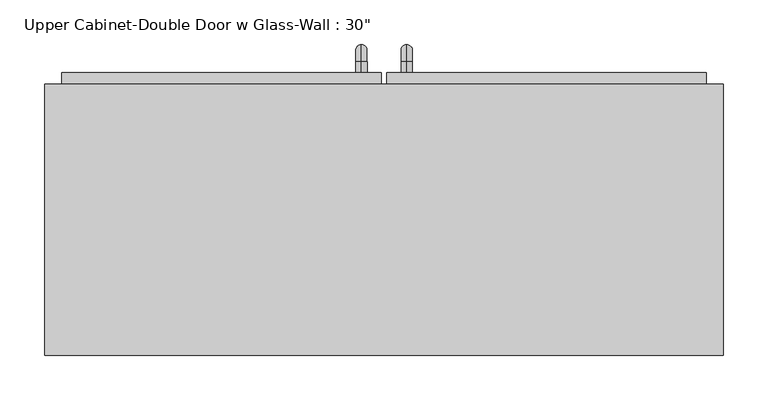
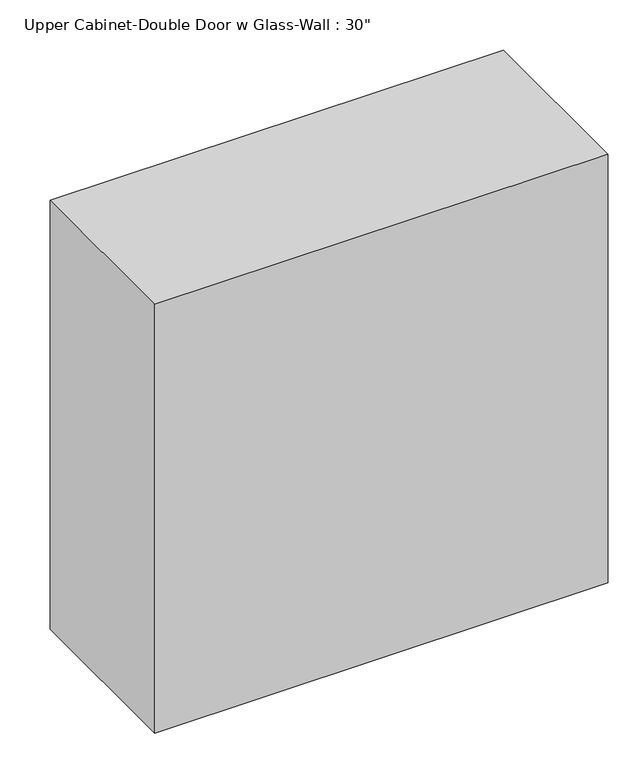
"""IFC4 building model written with IfcOpenShell, lengths in millimetres: furniture geometry."""

from ifc_helpers import new_model, si_unit, point, frame, origin, place, context, project, spatial, polyline, circle_curve, ellipse_curve, trimmed, outline, extrude, faceted_brep, source, transform, mapped, element, save
from ifc_brep_helpers import plane_surface, cylinder_surface, revolved_surface, advanced_brep


def furniture_ae2356e1(model_context):
    return source(origin(), model_context, "Body", "SolidModel", [
        faceted_brep([(-351.2288372, 69.85, 2133.6), (-351.2288372, 69.85, 1371.6), (410.7711628, 69.85, 1371.6), (410.7711628, 69.85, 2133.6), (-351.2288372, 374.65, 2133.6), (410.7711628, 374.65, 2133.6), (410.7711628, 374.65, 1371.6), (-351.2288372, 374.65, 1371.6), (-332.1788372, 374.65, 2114.55), (-332.1788372, 374.65, 1390.65), (391.7211628, 374.65, 1390.65), (391.7211628, 374.65, 2114.55), (391.7211628, 88.9, 2114.55), (-332.1788372, 88.9, 2114.55), (391.7211628, 88.9, 1390.65), (-332.1788372, 88.9, 1390.65)], [[[0, 1, 2, 3]], [[4, 5, 6, 7], [8, 9, 10, 11]], [[1, 0, 4, 7]], [[2, 1, 7, 6]], [[3, 2, 6, 5]], [[0, 3, 5, 4]], [[8, 11, 12, 13]], [[11, 10, 14, 12]], [[10, 9, 15, 14]], [[9, 8, 13, 15]], [[13, 12, 14, 15]]]),
        advanced_brep(
        [(55.1711628, 387.35, 1517.65), (55.1711628, 387.35, 1530.35), (55.1711628, 400.05, 1517.65), (55.1711628, 400.05, 1530.35), (55.1711628, 419.1, 1511.3), (55.1711628, 406.4, 1511.3), (55.1711628, 406.4, 1435.1), (55.1711628, 419.1, 1435.1), (55.1711628, 400.05, 1416.05), (55.1711628, 400.05, 1428.75), (55.1711628, 387.35, 1428.75), (55.1711628, 387.35, 1416.05)],
        [
            (0, 1, circle_curve(frame((55.1711628, 387.35, 1524.0), z_axis=(0.0, -1.0, 0.0), x_axis=(0.0, 0.0, -1.0)), 6.35)),
            (1, 0, circle_curve(frame((55.1711628, 387.35, 1524.0), z_axis=(0.0, -1.0, 0.0), x_axis=(0.0, 0.0, -1.0)), 6.35)),
            (0, 2),
            (2, 3, circle_curve(frame((55.1711628, 400.05, 1524.0), z_axis=(0.0, -1.0, 0.0), x_axis=(0.0, 0.0, -1.0)), 6.35)),
            (3, 1),
            (3, 2, circle_curve(frame((55.1711628, 400.05, 1524.0), z_axis=(0.0, -1.0, 0.0), x_axis=(0.0, 0.0, -1.0)), 6.35)),
            (4, 3, circle_curve(frame((55.1711628, 400.05, 1511.3), z_axis=(1.0, 0.0, 0.0), x_axis=(0.0, 0.0, 1.0)), 19.05)),
            (2, 5, circle_curve(frame((55.1711628, 400.05, 1511.3), z_axis=(-1.0, 0.0, 0.0), x_axis=(0.0, 0.0, 1.0)), 6.35)),
            (5, 4, circle_curve(frame((55.1711628, 412.75, 1511.3), z_axis=(0.0, 0.0, 1.0), x_axis=(0.0, -1.0, 0.0)), 6.35)),
            (4, 5, circle_curve(frame((55.1711628, 412.75, 1511.3), z_axis=(0.0, 0.0, 1.0), x_axis=(0.0, -1.0, 0.0)), 6.35)),
            (5, 6),
            (6, 7, circle_curve(frame((55.1711628, 412.75, 1435.1), z_axis=(0.0, 0.0, 1.0), x_axis=(0.0, -1.0, 0.0)), 6.35)),
            (7, 4),
            (7, 6, circle_curve(frame((55.1711628, 412.75, 1435.1), z_axis=(0.0, 0.0, 1.0), x_axis=(0.0, -1.0, 0.0)), 6.35)),
            (8, 7, circle_curve(frame((55.1711628, 400.05, 1435.1), z_axis=(1.0, 0.0, 0.0), x_axis=(0.0, 1.0, 0.0)), 19.05)),
            (6, 9, circle_curve(frame((55.1711628, 400.05, 1435.1), z_axis=(-1.0, 0.0, 0.0), x_axis=(0.0, 1.0, 0.0)), 6.35)),
            (9, 8, circle_curve(frame((55.1711628, 400.05, 1422.4), z_axis=(0.0, 1.0, 0.0), x_axis=(0.0, 0.0, 1.0)), 6.35)),
            (8, 9, circle_curve(frame((55.1711628, 400.05, 1422.4), z_axis=(0.0, 1.0, 0.0), x_axis=(0.0, 0.0, 1.0)), 6.35)),
            (10, 11, circle_curve(frame((55.1711628, 387.35, 1422.4), z_axis=(0.0, -1.0, 0.0), x_axis=(0.0, 0.0, 1.0)), 6.35)),
            (11, 10, circle_curve(frame((55.1711628, 387.35, 1422.4), z_axis=(0.0, -1.0, 0.0), x_axis=(0.0, 0.0, 1.0)), 6.35)),
            (9, 10),
            (11, 8),
        ],
        [
            plane_surface(frame((48.8211628, 387.35, 1524.0), z_axis=(0.0, -1.0, 0.0), x_axis=(0.0, 0.0, 1.0))),
            cylinder_surface(frame((55.1711628, 387.35, 1524.0), z_axis=(0.0, -1.0, 0.0), x_axis=(0.0, 0.0, -1.0)), 6.35),
            revolved_surface(trimmed(ellipse_curve(frame((55.1711628, 400.05, 1524.0), z_axis=(0.0, -1.0, 0.0), x_axis=(0.0, 0.0, -1.0)), 6.35, 6.35), [point((55.1711628, 400.05, 1517.65))], [point((55.1711628, 400.05, 1530.35))], True, "CARTESIAN"), (55.1711628, 400.05, 1511.3), (-1.0, 0.0, 0.0)),
            revolved_surface(trimmed(ellipse_curve(frame((55.1711628, 400.05, 1524.0), z_axis=(0.0, -1.0, 0.0), x_axis=(0.0, 0.0, -1.0)), 6.35, 6.35), [point((55.1711628, 400.05, 1530.35))], [point((55.1711628, 400.05, 1517.65))], True, "CARTESIAN"), (55.1711628, 400.05, 1511.3), (-1.0, 0.0, 0.0)),
            cylinder_surface(frame((55.1711628, 412.75, 1511.3), z_axis=(0.0, 0.0, 1.0), x_axis=(0.0, -1.0, 0.0)), 6.35),
            revolved_surface(trimmed(ellipse_curve(frame((55.1711628, 412.75, 1435.1), z_axis=(0.0, 0.0, 1.0), x_axis=(0.0, -1.0, 0.0)), 6.35, 6.35), [point((55.1711628, 406.4, 1435.1))], [point((55.1711628, 419.1, 1435.1))], True, "CARTESIAN"), (55.1711628, 400.05, 1435.1), (-1.0, 0.0, 0.0)),
            revolved_surface(trimmed(ellipse_curve(frame((55.1711628, 412.75, 1435.1), z_axis=(0.0, 0.0, 1.0), x_axis=(0.0, -1.0, 0.0)), 6.35, 6.35), [point((55.1711628, 419.1, 1435.1))], [point((55.1711628, 406.4, 1435.1))], True, "CARTESIAN"), (55.1711628, 400.05, 1435.1), (-1.0, 0.0, 0.0)),
            plane_surface(frame((48.8211628, 387.35, 1422.4), z_axis=(0.0, -1.0, 0.0), x_axis=(0.0, 0.0, -1.0))),
            cylinder_surface(frame((55.1711628, 400.05, 1422.4), z_axis=(0.0, 1.0, 0.0), x_axis=(0.0, 0.0, 1.0)), 6.35),
        ],
        [
            (0, [[1, 2]]),
            (1, [[-1, 3, 4, 5]]),
            (1, [[-2, -5, 6, -3]]),
            (2, [[7, -4, 8, 9]]),
            (3, [[-8, -6, -7, 10]]),
            (4, [[-9, 11, 12, 13]]),
            (4, [[-10, -13, 14, -11]]),
            (5, [[15, -12, 16, 17]]),
            (6, [[-16, -14, -15, 18]]),
            (7, [[19, 20]]),
            (8, [[-17, 21, -20, 22]]),
            (8, [[-18, -22, -19, -21]]),
        ],
    ),
        advanced_brep(
        [(4.3711628, 387.35, 1517.65), (4.3711628, 387.35, 1530.35), (4.3711628, 400.05, 1517.65), (4.3711628, 400.05, 1530.35), (4.3711628, 419.1, 1511.3), (4.3711628, 406.4, 1511.3), (4.3711628, 406.4, 1435.1), (4.3711628, 419.1, 1435.1), (4.3711628, 400.05, 1416.05), (4.3711628, 400.05, 1428.75), (4.3711628, 387.35, 1428.75), (4.3711628, 387.35, 1416.05)],
        [
            (0, 1, circle_curve(frame((4.3711628, 387.35, 1524.0), z_axis=(0.0, -1.0, 0.0), x_axis=(0.0, 0.0, 1.0)), 6.35)),
            (1, 0, circle_curve(frame((4.3711628, 387.35, 1524.0), z_axis=(0.0, -1.0, 0.0), x_axis=(0.0, 0.0, 1.0)), 6.35)),
            (0, 2),
            (2, 3, circle_curve(frame((4.3711628, 400.05, 1524.0), z_axis=(0.0, -1.0, 0.0), x_axis=(0.0, 0.0, 1.0)), 6.35)),
            (3, 1),
            (3, 2, circle_curve(frame((4.3711628, 400.05, 1524.0), z_axis=(0.0, -1.0, 0.0), x_axis=(0.0, 0.0, 1.0)), 6.35)),
            (4, 3, circle_curve(frame((4.3711628, 400.05, 1511.3), z_axis=(1.0, 0.0, 0.0), x_axis=(0.0, 0.0, 1.0)), 19.05)),
            (2, 5, circle_curve(frame((4.3711628, 400.05, 1511.3), z_axis=(-1.0, 0.0, 0.0), x_axis=(0.0, 0.0, 1.0)), 6.35)),
            (5, 4, circle_curve(frame((4.3711628, 412.75, 1511.3), z_axis=(0.0, 0.0, 1.0), x_axis=(0.0, 1.0, 0.0)), 6.35)),
            (4, 5, circle_curve(frame((4.3711628, 412.75, 1511.3), z_axis=(0.0, 0.0, 1.0), x_axis=(0.0, 1.0, 0.0)), 6.35)),
            (5, 6),
            (6, 7, circle_curve(frame((4.3711628, 412.75, 1435.1), z_axis=(0.0, 0.0, 1.0), x_axis=(0.0, 1.0, 0.0)), 6.35)),
            (7, 4),
            (7, 6, circle_curve(frame((4.3711628, 412.75, 1435.1), z_axis=(0.0, 0.0, 1.0), x_axis=(0.0, 1.0, 0.0)), 6.35)),
            (8, 7, circle_curve(frame((4.3711628, 400.05, 1435.1), z_axis=(1.0, 0.0, 0.0), x_axis=(0.0, 1.0, 0.0)), 19.05)),
            (6, 9, circle_curve(frame((4.3711628, 400.05, 1435.1), z_axis=(-1.0, 0.0, 0.0), x_axis=(0.0, 1.0, 0.0)), 6.35)),
            (9, 8, circle_curve(frame((4.3711628, 400.05, 1422.4), z_axis=(0.0, 1.0, 0.0), x_axis=(0.0, 0.0, -1.0)), 6.35)),
            (8, 9, circle_curve(frame((4.3711628, 400.05, 1422.4), z_axis=(0.0, 1.0, 0.0), x_axis=(0.0, 0.0, -1.0)), 6.35)),
            (10, 11, circle_curve(frame((4.3711628, 387.35, 1422.4), z_axis=(0.0, -1.0, 0.0), x_axis=(0.0, 0.0, -1.0)), 6.35)),
            (11, 10, circle_curve(frame((4.3711628, 387.35, 1422.4), z_axis=(0.0, -1.0, 0.0), x_axis=(0.0, 0.0, -1.0)), 6.35)),
            (9, 10),
            (11, 8),
        ],
        [
            plane_surface(frame((-1.9788372, 387.35, 1524.0), z_axis=(0.0, -1.0, 0.0), x_axis=(0.0, 0.0, 1.0))),
            cylinder_surface(frame((4.3711628, 387.35, 1524.0), z_axis=(0.0, -1.0, 0.0), x_axis=(0.0, 0.0, 1.0)), 6.35),
            revolved_surface(trimmed(ellipse_curve(frame((4.3711628, 400.05, 1524.0), z_axis=(0.0, -1.0, 0.0), x_axis=(0.0, 0.0, 1.0)), 6.35, 6.35), [point((4.3711628, 400.05, 1517.65))], [point((4.3711628, 400.05, 1530.35))], True, "CARTESIAN"), (4.3711628, 400.05, 1511.3), (-1.0, 0.0, 0.0)),
            revolved_surface(trimmed(ellipse_curve(frame((4.3711628, 400.05, 1524.0), z_axis=(0.0, -1.0, 0.0), x_axis=(0.0, 0.0, 1.0)), 6.35, 6.35), [point((4.3711628, 400.05, 1530.35))], [point((4.3711628, 400.05, 1517.65))], True, "CARTESIAN"), (4.3711628, 400.05, 1511.3), (-1.0, 0.0, 0.0)),
            cylinder_surface(frame((4.3711628, 412.75, 1511.3), z_axis=(0.0, 0.0, 1.0), x_axis=(0.0, 1.0, 0.0)), 6.35),
            revolved_surface(trimmed(ellipse_curve(frame((4.3711628, 412.75, 1435.1), z_axis=(0.0, 0.0, 1.0), x_axis=(0.0, 1.0, 0.0)), 6.35, 6.35), [point((4.3711628, 406.4, 1435.1))], [point((4.3711628, 419.1, 1435.1))], True, "CARTESIAN"), (4.3711628, 400.05, 1435.1), (-1.0, 0.0, 0.0)),
            revolved_surface(trimmed(ellipse_curve(frame((4.3711628, 412.75, 1435.1), z_axis=(0.0, 0.0, 1.0), x_axis=(0.0, 1.0, 0.0)), 6.35, 6.35), [point((4.3711628, 419.1, 1435.1))], [point((4.3711628, 406.4, 1435.1))], True, "CARTESIAN"), (4.3711628, 400.05, 1435.1), (-1.0, 0.0, 0.0)),
            plane_surface(frame((-1.9788372, 387.35, 1422.4), z_axis=(0.0, -1.0, 0.0), x_axis=(0.0, 0.0, -1.0))),
            cylinder_surface(frame((4.3711628, 400.05, 1422.4), z_axis=(0.0, 1.0, 0.0), x_axis=(0.0, 0.0, -1.0)), 6.35),
        ],
        [
            (0, [[1, 2]]),
            (1, [[-1, 3, 4, 5]]),
            (1, [[-2, -5, 6, -3]]),
            (2, [[7, -4, 8, 9]]),
            (3, [[-8, -6, -7, 10]]),
            (4, [[-9, 11, 12, 13]]),
            (4, [[-10, -13, 14, -11]]),
            (5, [[15, -12, 16, 17]]),
            (6, [[-16, -14, -15, 18]]),
            (7, [[19, 20]]),
            (8, [[-17, 21, -20, 22]]),
            (8, [[-18, -22, -19, -21]]),
        ],
    ),
        extrude(outline(polyline([(64.6961628, 368.3), (359.9711628, 368.3), (359.9711628, 361.95), (64.6961628, 361.95), (64.6961628, 368.3)])), frame((0.0, 0.0, 1422.4), z_axis=(0.0, 0.0, 1.0), x_axis=(1.0, 0.0, 0.0)), (0.0, 0.0, 1.0), 660.4),
        extrude(outline(polyline([(-300.4288372, 368.3), (-5.1538372, 368.3), (-5.1538372, 361.95), (-300.4288372, 361.95), (-300.4288372, 368.3)])), frame((0.0, 0.0, 1422.4), z_axis=(0.0, 0.0, 1.0), x_axis=(1.0, 0.0, 0.0)), (0.0, 0.0, 1.0), 660.4),
        extrude(outline(polyline([(2114.55, 32.9461628), (1390.65, 32.9461628), (1390.65, 391.7211628), (2114.55, 391.7211628), (2114.55, 32.9461628)]), holes=[polyline([(1422.4, 64.6961628), (2082.8, 64.6961628), (2082.8, 359.9711628), (1422.4, 359.9711628), (1422.4, 64.6961628)])]), frame((0.0, 355.6, 0.0), z_axis=(0.0, 1.0, 0.0), x_axis=(0.0, 0.0, 1.0)), (0.0, 0.0, 1.0), 31.75),
        extrude(outline(polyline([(1390.65, -332.1788372), (1390.65, 26.5961628), (2114.55, 26.5961628), (2114.55, -332.1788372), (1390.65, -332.1788372)]), holes=[polyline([(2082.8, -5.1538372), (1422.4, -5.1538372), (1422.4, -300.4288372), (2082.8, -300.4288372), (2082.8, -5.1538372)])]), frame((0.0, 355.6, 0.0), z_axis=(0.0, 1.0, 0.0), x_axis=(0.0, 0.0, 1.0)), (0.0, 0.0, 1.0), 31.75),
    ])


if __name__ == "__main__":
    model = new_model("IFC4")
    model_context = context("Model", 3, world=origin())
    ifc_project = project(units=[si_unit("LENGTHUNIT", "METRE", prefix="MILLI")], contexts=[model_context])
    site = spatial("IfcSite", under=ifc_project)
    building = spatial("IfcBuilding", under=site)
    placement = place(None, origin())
    furniture_shape = furniture_ae2356e1(model_context)
    element("IfcFurniture", 1, ObjectType="Upper Cabinet-Double Door w Glass-Wall : 30\"", at=placement, inside=building, context=model_context, shape_type="MappedRepresentation", body=[
        mapped(furniture_shape, transform((0.0, 0.0, 0.0), x_axis=(1.0, 0.0, 0.0), y_axis=(0.0, 1.0, 0.0), z_axis=(0.0, 0.0, 1.0))),
    ])
    save(model, "model.ifc")
